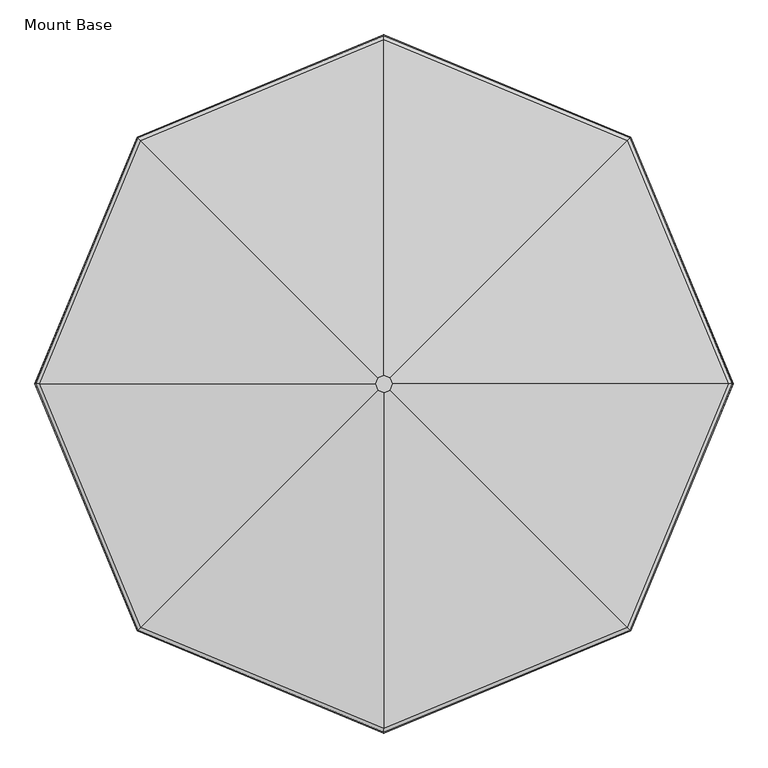
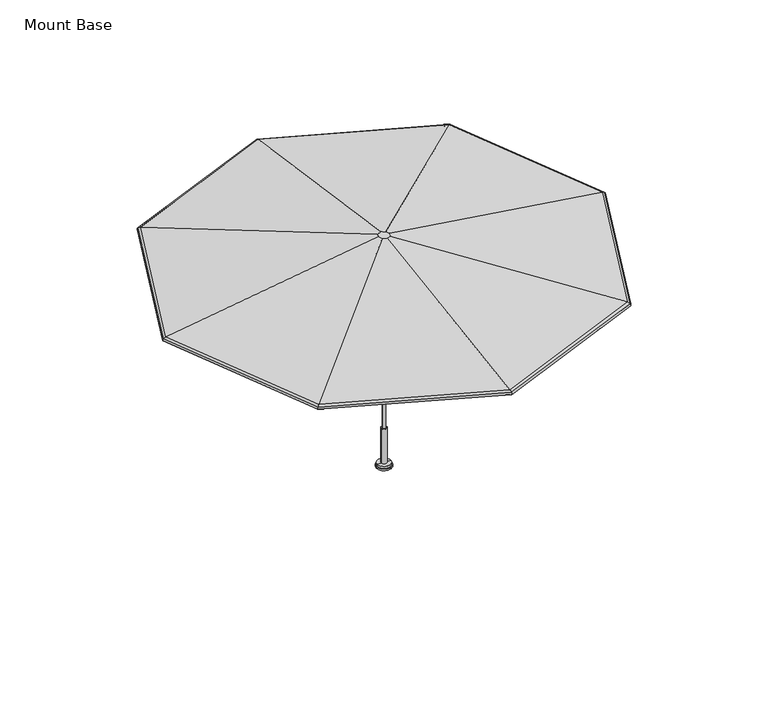
"""IFC4 building model written with IfcOpenShell, lengths in millimetres: furniture geometry, Mount Base."""

from ifc_helpers import new_model, si_unit, frame, origin, place, context, project, spatial, polyline, circle_curve, ellipse_curve, source, transform, mapped, element, save
from ifc_brep_helpers import plane_surface, cylinder_surface, revolved_surface, advanced_brep


def mount_base_e71716c9(model_context):
    return source(origin(), model_context, "Body", "AdvancedBrep", [
        advanced_brep(
        [(45.1473013, -49.177191, 2808.3297455), (1777.9707816, -1782.0006193, 2450.3102328), (2514.4303084, -4.0299408, 2450.3102328), (63.8479036, -4.0299408, 2808.3297455), (1777.9707816, 1773.9407377, 2450.3102328), (45.1473013, 41.1173094, 2808.3297455), (0.0, 2510.4003698, 2450.3102328), (0.0, 59.8179344, 2808.3297455), (-1777.9707816, 1773.9407377, 2450.3102328), (-45.1473013, 41.1173094, 2808.3297455), (-2514.4303084, -4.0299408, 2450.3102328), (-63.8479036, -4.0299408, 2808.3297455), (-1777.9707816, -1782.0006193, 2450.3102328), (-45.1473013, -49.177191, 2808.3297455), (0.0, -2518.4602513, 2450.3102328), (0.0, -67.877816, 2808.3297455), (44.8728133, -48.902703, 2803.765683), (0.0, -67.4896313, 2803.765683), (-44.8728133, -48.902703, 2803.765683), (-63.4597189, -4.0299408, 2803.765683), (-44.8728133, 40.8428214, 2803.765683), (0.0, 59.4297498, 2803.765683), (44.8728133, 40.8428214, 2803.765683), (63.4597189, -4.0299408, 2803.765683), (1777.4251744, -1781.4550121, 2445.8021864), (2513.6587033, -4.0299408, 2445.8021864), (1796.8087591, -1800.8385962, 2431.8908847), (2541.071231, -4.0299408, 2431.8908847), (1799.7904474, -1803.8202844, 2413.6368743), (2545.2879748, -4.0299408, 2413.6368743), (1803.1457838, -1807.1756208, 2412.3647308), (2550.0331371, -4.0299408, 2412.3647308), (1799.4279591, -1803.4577961, 2434.9107454), (2544.775339, -4.0299408, 2434.9107454), (1777.4251744, 1773.3951306, 2445.8021864), (1796.8087591, 1792.7787146, 2431.8908847), (1799.7904474, 1795.7604028, 2413.6368743), (1803.1457838, 1799.1157392, 2412.3647308), (1799.4279591, 1795.3979145, 2434.9107454), (0.0, 2509.6287647, 2445.8021864), (0.0, 2537.0412927, 2431.8908847), (0.0, 2541.2580366, 2413.6368743), (0.0, 2546.0031989, 2412.3647308), (0.0, 2540.7454007, 2434.9107454), (-1777.4251744, 1773.3951306, 2445.8021864), (-1796.8087591, 1792.7787146, 2431.8908847), (-1799.7904474, 1795.7604028, 2413.6368743), (-1803.1457838, 1799.1157392, 2412.3647308), (-1799.4279591, 1795.3979145, 2434.9107454), (-2513.6587033, -4.0299408, 2445.8021864), (-2541.071231, -4.0299408, 2431.8908847), (-2545.2879748, -4.0299408, 2413.6368743), (-2550.0331371, -4.0299408, 2412.3647308), (-2544.775339, -4.0299408, 2434.9107454), (-1777.4251744, -1781.4550121, 2445.8021864), (-1796.8087591, -1800.8385962, 2431.8908847), (-1799.7904474, -1803.8202844, 2413.6368743), (-1803.1457838, -1807.1756208, 2412.3647308), (-1799.4279591, -1803.4577961, 2434.9107454), (0.0, -2517.6886462, 2445.8021864), (0.0, -2545.1011742, 2431.8908847), (0.0, -2549.3179182, 2413.6368743), (0.0, -2554.0630804, 2412.3647308), (0.0, -2548.8052823, 2434.9107454)],
        [
            (0, 1),
            (1, 2),
            (2, 3),
            (3, 0),
            (2, 4),
            (4, 5),
            (5, 3),
            (4, 6),
            (6, 7),
            (7, 5),
            (6, 8),
            (8, 9),
            (9, 7),
            (8, 10),
            (10, 11),
            (11, 9),
            (10, 12),
            (12, 13),
            (13, 11),
            (12, 14),
            (14, 15),
            (15, 13),
            (15, 0),
            (16, 17),
            (17, 18),
            (18, 19),
            (19, 20),
            (20, 21),
            (21, 22),
            (22, 23),
            (23, 16),
            (14, 1),
            (24, 16),
            (23, 25),
            (25, 24),
            (26, 24, ellipse_curve(frame((1772.3249333, -1776.3547712, 2403.6617523), z_axis=(-0.7071067705718669, -0.7071067918012278, 0.0), x_axis=(-0.7071067918012273, 0.7071067705718675, 0.0)), 46.1792486, 42.6640625)),
            (25, 27, ellipse_curve(frame((2506.4458734, -4.0299408, 2403.6617523), z_axis=(0.0, 1.0, 0.0), x_axis=(1.0, 0.0, 0.0)), 46.1792481, 42.6640625)),
            (27, 26),
            (28, 26, ellipse_curve(frame((1785.891869, -1789.9217065, 2419.3040309), z_axis=(-0.7071067705718669, -0.7071067918012278, 0.0), x_axis=(-0.7071067918012273, 0.7071067705718675, 0.0)), 20.5904823, 19.0231251)),
            (27, 29, ellipse_curve(frame((2525.6324174, -4.0299408, 2419.3040309), z_axis=(0.0, 1.0, 0.0), x_axis=(1.0, 0.0, 0.0)), 20.5904821, 19.0231251)),
            (29, 28),
            (30, 28, ellipse_curve(frame((1801.4759987, -1805.5058357, 2413.0362967), z_axis=(0.7071067705718669, 0.7071067918012278, 0.0), x_axis=(0.7071067918012273, -0.7071067705718675, 0.0)), 2.4707782, 2.2827014)),
            (29, 31, ellipse_curve(frame((2547.6717043, -4.0299408, 2413.0362967), z_axis=(0.0, -1.0, 0.0), x_axis=(-1.0, 0.0, 0.0)), 2.4707782, 2.2827014)),
            (31, 30),
            (32, 30, ellipse_curve(frame((1785.891869, -1789.9217065, 2419.3040309), z_axis=(0.7071067705718669, 0.7071067918012278, 0.0), x_axis=(0.7071067918012273, -0.7071067705718675, 0.0)), 25.5305879, 23.5871876)),
            (31, 33, ellipse_curve(frame((2525.6324174, -4.0299408, 2419.3040309), z_axis=(0.0, -1.0, 0.0), x_axis=(-1.0, 0.0, 0.0)), 25.5305877, 23.5871876)),
            (33, 32),
            (1, 32, ellipse_curve(frame((1772.3249333, -1776.3547712, 2403.6617523), z_axis=(0.7071067705718669, 0.7071067918012278, 0.0), x_axis=(0.7071067918012273, -0.7071067705718675, 0.0)), 51.1193542, 47.228125)),
            (33, 2, ellipse_curve(frame((2506.4458734, -4.0299408, 2403.6617523), z_axis=(0.0, -1.0, 0.0), x_axis=(-1.0, 0.0, 0.0)), 51.1193537, 47.228125)),
            (22, 34),
            (34, 25),
            (34, 35, ellipse_curve(frame((1772.3249333, 1768.2948896, 2403.6617523), z_axis=(-0.707106770571867, 0.707106791801228, 0.0), x_axis=(0.7071067918012285, 0.7071067705718665, 0.0)), 46.1792486, 42.6640625)),
            (35, 27),
            (35, 36, ellipse_curve(frame((1785.891869, 1781.8618249, 2419.3040309), z_axis=(-0.707106770571867, 0.707106791801228, 0.0), x_axis=(0.7071067918012285, 0.7071067705718665, 0.0)), 20.5904823, 19.0231251)),
            (36, 29),
            (36, 37, ellipse_curve(frame((1801.4759987, 1797.4459541, 2413.0362967), z_axis=(0.707106770571867, -0.707106791801228, 0.0), x_axis=(-0.7071067918012285, -0.7071067705718665, 0.0)), 2.4707782, 2.2827014)),
            (37, 31),
            (37, 38, ellipse_curve(frame((1785.891869, 1781.8618249, 2419.3040309), z_axis=(0.707106770571867, -0.707106791801228, 0.0), x_axis=(-0.7071067918012285, -0.7071067705718665, 0.0)), 25.5305879, 23.5871876)),
            (38, 33),
            (38, 4, ellipse_curve(frame((1772.3249333, 1768.2948896, 2403.6617523), z_axis=(0.707106770571867, -0.707106791801228, 0.0), x_axis=(-0.7071067918012285, -0.7071067705718665, 0.0)), 51.1193542, 47.228125)),
            (21, 39),
            (39, 34),
            (39, 40, ellipse_curve(frame((0.0, 2502.4159347, 2403.6617523), z_axis=(-1.0, 0.0, 0.0), x_axis=(0.0, 1.0, 0.0)), 46.1792487, 42.6640625)),
            (40, 35),
            (40, 41, ellipse_curve(frame((0.0, 2521.6024789, 2419.3040309), z_axis=(-1.0, 0.0, 0.0), x_axis=(0.0, 1.0, 0.0)), 20.5904823, 19.0231251)),
            (41, 36),
            (41, 42, ellipse_curve(frame((0.0, 2543.6417661, 2413.0362967), z_axis=(1.0, 0.0, 0.0), x_axis=(0.0, -1.0, 0.0)), 2.4707782, 2.2827014)),
            (42, 37),
            (42, 43, ellipse_curve(frame((0.0, 2521.6024789, 2419.3040309), z_axis=(1.0, 0.0, 0.0), x_axis=(0.0, -1.0, 0.0)), 25.530588, 23.5871876)),
            (43, 38),
            (43, 6, ellipse_curve(frame((0.0, 2502.4159347, 2403.6617523), z_axis=(1.0, 0.0, 0.0), x_axis=(0.0, -1.0, 0.0)), 51.1193543, 47.228125)),
            (20, 44),
            (44, 39),
            (44, 45, ellipse_curve(frame((-1772.3249333, 1768.2948896, 2403.6617523), z_axis=(-0.7071067705718668, -0.7071067918012279, 0.0), x_axis=(-0.7071067918012285, 0.7071067705718664, 0.0)), 46.1792486, 42.6640625)),
            (45, 40),
            (45, 46, ellipse_curve(frame((-1785.891869, 1781.8618249, 2419.3040309), z_axis=(-0.7071067705718668, -0.7071067918012279, 0.0), x_axis=(-0.7071067918012285, 0.7071067705718664, 0.0)), 20.5904823, 19.0231251)),
            (46, 41),
            (46, 47, ellipse_curve(frame((-1801.4759987, 1797.4459541, 2413.0362967), z_axis=(0.7071067705718668, 0.7071067918012279, 0.0), x_axis=(0.7071067918012285, -0.7071067705718664, 0.0)), 2.4707782, 2.2827014)),
            (47, 42),
            (47, 48, ellipse_curve(frame((-1785.891869, 1781.8618249, 2419.3040309), z_axis=(0.7071067705718668, 0.7071067918012279, 0.0), x_axis=(0.7071067918012285, -0.7071067705718664, 0.0)), 25.5305879, 23.5871876)),
            (48, 43),
            (48, 8, ellipse_curve(frame((-1772.3249333, 1768.2948896, 2403.6617523), z_axis=(0.7071067705718668, 0.7071067918012279, 0.0), x_axis=(0.7071067918012285, -0.7071067705718664, 0.0)), 51.1193542, 47.228125)),
            (19, 49),
            (49, 44),
            (49, 50, ellipse_curve(frame((-2506.4458734, -4.0299408, 2403.6617523), z_axis=(0.0, -1.0, 0.0), x_axis=(-1.0, 0.0, 0.0)), 46.1792481, 42.6640625)),
            (50, 45),
            (50, 51, ellipse_curve(frame((-2525.6324174, -4.0299408, 2419.3040309), z_axis=(0.0, -1.0, 0.0), x_axis=(-1.0, 0.0, 0.0)), 20.5904821, 19.0231251)),
            (51, 46),
            (51, 52, ellipse_curve(frame((-2547.6717043, -4.0299408, 2413.0362967), z_axis=(0.0, 1.0, 0.0), x_axis=(1.0, 0.0, 0.0)), 2.4707782, 2.2827014)),
            (52, 47),
            (52, 53, ellipse_curve(frame((-2525.6324174, -4.0299408, 2419.3040309), z_axis=(0.0, 1.0, 0.0), x_axis=(1.0, 0.0, 0.0)), 25.5305877, 23.5871876)),
            (53, 48),
            (53, 10, ellipse_curve(frame((-2506.4458734, -4.0299408, 2403.6617523), z_axis=(0.0, 1.0, 0.0), x_axis=(1.0, 0.0, 0.0)), 51.1193537, 47.228125)),
            (18, 54),
            (54, 49),
            (54, 55, ellipse_curve(frame((-1772.3249333, -1776.3547712, 2403.6617523), z_axis=(0.707106770571867, -0.7071067918012278, 0.0), x_axis=(-0.7071067918012279, -0.7071067705718671, 0.0)), 46.1792486, 42.6640625)),
            (55, 50),
            (55, 56, ellipse_curve(frame((-1785.891869, -1789.9217065, 2419.3040309), z_axis=(0.707106770571867, -0.7071067918012278, 0.0), x_axis=(-0.7071067918012279, -0.7071067705718671, 0.0)), 20.5904823, 19.0231251)),
            (56, 51),
            (56, 57, ellipse_curve(frame((-1801.4759987, -1805.5058357, 2413.0362967), z_axis=(-0.707106770571867, 0.7071067918012278, 0.0), x_axis=(0.7071067918012279, 0.7071067705718671, 0.0)), 2.4707782, 2.2827014)),
            (57, 52),
            (57, 58, ellipse_curve(frame((-1785.891869, -1789.9217065, 2419.3040309), z_axis=(-0.707106770571867, 0.7071067918012278, 0.0), x_axis=(0.7071067918012279, 0.7071067705718671, 0.0)), 25.5305879, 23.5871876)),
            (58, 53),
            (58, 12, ellipse_curve(frame((-1772.3249333, -1776.3547712, 2403.6617523), z_axis=(-0.707106770571867, 0.7071067918012278, 0.0), x_axis=(0.7071067918012279, 0.7071067705718671, 0.0)), 51.1193542, 47.228125)),
            (17, 59),
            (59, 54),
            (59, 60, ellipse_curve(frame((0.0, -2510.4758162, 2403.6617523), z_axis=(1.0, 0.0, 0.0), x_axis=(0.0, -1.0, 0.0)), 46.1792487, 42.6640625)),
            (60, 55),
            (60, 61, ellipse_curve(frame((0.0, -2529.6623604, 2419.3040309), z_axis=(1.0, 0.0, 0.0), x_axis=(0.0, -1.0, 0.0)), 20.5904823, 19.0231251)),
            (61, 56),
            (61, 62, ellipse_curve(frame((0.0, -2551.7016477, 2413.0362967), z_axis=(-1.0, 0.0, 0.0), x_axis=(0.0, 1.0, 0.0)), 2.4707782, 2.2827014)),
            (62, 57),
            (62, 63, ellipse_curve(frame((0.0, -2529.6623604, 2419.3040309), z_axis=(-1.0, 0.0, 0.0), x_axis=(0.0, 1.0, 0.0)), 25.530588, 23.5871876)),
            (63, 58),
            (63, 14, ellipse_curve(frame((0.0, -2510.4758162, 2403.6617523), z_axis=(-1.0, 0.0, 0.0), x_axis=(0.0, 1.0, 0.0)), 51.1193543, 47.228125)),
            (24, 59),
            (26, 60),
            (28, 61),
            (30, 62),
            (32, 63),
        ],
        [
            plane_surface(frame((1777.9707816, -1782.0006193, 2450.3102328), z_axis=(0.14430260932390854, -0.059772094479706925, 0.9877267100083001), x_axis=(0.3826834138500074, 0.9238795401804848, 0.0))),
            plane_surface(frame((2514.4303084, -4.0299408, 2450.3102328), z_axis=(0.1443026093239085, 0.05977209447970692, 0.9877267100083003), x_axis=(-0.3826834138500075, 0.9238795401804848, 0.0))),
            plane_surface(frame((1777.9707816, 1773.9407377, 2450.3102328), z_axis=(0.05977209881208568, 0.14430260752937665, 0.9877267100083005), x_axis=(-0.9238795286912377, 0.38268344158750417, 0.0))),
            plane_surface(frame((0.0, 2510.4003698, 2450.3102328), z_axis=(-0.0597720988120857, 0.14430260752937668, 0.9877267100083004), x_axis=(-0.9238795286912376, -0.3826834415875042, 0.0))),
            plane_surface(frame((-1777.9707816, 1773.9407377, 2450.3102328), z_axis=(-0.1443026093239085, 0.0597720944797069, 0.9877267100083), x_axis=(-0.3826834138500073, -0.9238795401804848, 0.0))),
            plane_surface(frame((-2514.4303084, -4.0299408, 2450.3102328), z_axis=(-0.1443026093239085, -0.059772094479706904, 0.9877267100083001), x_axis=(0.38268341385000737, -0.9238795401804848, 0.0))),
            plane_surface(frame((-1777.9707816, -1782.0006193, 2450.3102328), z_axis=(-0.05977209881208568, -0.14430260752937663, 0.9877267100083005), x_axis=(0.9238795286912376, -0.3826834415875042, 0.0))),
            plane_surface(frame((0.0, -67.877816, 2808.3297455), z_axis=(0.0, 0.0, 1.0000000000000002), x_axis=(0.92387952869124, 0.3826834415874985, 0.0))),
            plane_surface(frame((0.0, -4.1939137, 2803.765683), z_axis=(0.0, 0.0, -1.0000000000000002), x_axis=(0.9238795286912376, 0.38268344158750434, 0.0))),
            plane_surface(frame((0.0, -2518.4602513, 2450.3102328), z_axis=(0.05977209881208571, -0.14430260752937665, 0.9877267100083004), x_axis=(0.9238795286912376, 0.38268344158750434, 0.0))),
            plane_surface(frame((44.8728133, -48.902703, 2803.765683), z_axis=(-0.14430260932390412, 0.05977209447971757, -0.9877267100083001), x_axis=(0.3826834138500039, 0.9238795401804862, 0.0))),
            revolved_surface(polyline([(2473.7922125929476, 28.623717379706704, 2403.6617523), (1726.1456847265435, -1776.354772368696, 2403.6617523)]), (1770.2008532, -1781.4827545, 2403.6617523), (0.3826834138500075, 0.9238795401804849, 0.0)),
            revolved_surface(polyline([(2511.0727472573535, 10.529728153093401, 2419.3040309), (1765.3013866905512, -1789.9217070122843, 2419.3040309)]), (1786.5775931, -1788.2662219, 2419.3040309), (0.3826834138500075, 0.9238795401804849, 0.0)),
            cylinder_surface(frame((1805.3893016, -1796.0582862, 2413.0362967), z_axis=(-0.3826834138500075, -0.9238795401804849, 0.0), x_axis=(-0.9238795401804849, 0.3826834138500075, 0.0)), 2.2827014),
            cylinder_surface(frame((1786.5775931, -1788.2662219, 2419.3040309), z_axis=(-0.3826834138500075, -0.9238795401804849, 0.0), x_axis=(-0.9238795401804849, 0.3826834138500075, 0.0)), 23.5871876),
            cylinder_surface(frame((1770.2008532, -1781.4827545, 2403.6617523), z_axis=(-0.3826834138500075, -0.9238795401804849, 0.0), x_axis=(-0.9238795401804849, 0.3826834138500075, 0.0)), 47.228125),
            plane_surface(frame((63.4597189, -4.0299408, 2803.765683), z_axis=(-0.14430260932391245, -0.05977209447969742, -0.9877267100083), x_axis=(-0.3826834138500052, 0.9238795401804857, 0.0))),
            revolved_surface(polyline([(1726.1456847911236, 1768.2948907954465, 2403.6617523), (2473.792212657527, -36.68359895295626, 2403.6617523)]), (2508.5699534, -9.1579237, 2403.6617523), (-0.3826834138500073, 0.9238795401804848, 0.0)),
            revolved_surface(polyline([(1765.3013867551308, 1781.8618254390342, 2419.3040309), (2511.0727473219326, -18.589609726343163, 2419.3040309)]), (2524.9466933, -2.3744563, 2419.3040309), (-0.3826834138500073, 0.9238795401804848, 0.0)),
            cylinder_surface(frame((2543.7584017, 5.417608, 2413.0362967), z_axis=(0.3826834138500073, -0.9238795401804848, 0.0), x_axis=(-0.9238795401804848, -0.3826834138500073, 0.0)), 2.2827014),
            cylinder_surface(frame((2524.9466933, -2.3744563, 2419.3040309), z_axis=(0.3826834138500073, -0.9238795401804848, 0.0), x_axis=(-0.9238795401804848, -0.3826834138500073, 0.0)), 23.5871876),
            cylinder_surface(frame((2508.5699534, -9.1579237, 2403.6617523), z_axis=(0.3826834138500073, -0.9238795401804848, 0.0), x_axis=(-0.9238795401804848, -0.3826834138500073, 0.0)), 47.228125),
            plane_surface(frame((44.8728133, 40.8428214, 2803.765683), z_axis=(-0.05977209881211413, -0.14430260752936488, -0.9877267100083005), x_axis=(-0.9238795286912357, 0.382683441587509, 0.0))),
            revolved_surface(polyline([(-32.65366054051833, 2469.762275487732, 2403.6617523), (1772.3249331106792, 1722.1156410951446, 2403.6617523)]), (1777.4529166, 1766.1708094, 2403.6617523), (-0.9238795286912376, 0.38268344158750417, 0.0)),
            revolved_surface(polyline([(-14.559669971994254, 2507.0428094823683, 2419.3040309), (1785.8918689088669, 1761.2713426262042, 2419.3040309)]), (1784.2363844, 1782.5475491, 2419.3040309), (-0.9238795286912376, 0.38268344158750417, 0.0)),
            cylinder_surface(frame((1792.0284493, 1801.3592573, 2413.0362967), z_axis=(0.9238795286912376, -0.38268344158750417, 0.0), x_axis=(-0.38268344158750417, -0.9238795286912376, 0.0)), 2.2827014),
            cylinder_surface(frame((1784.2363844, 1782.5475491, 2419.3040309), z_axis=(0.9238795286912376, -0.38268344158750417, 0.0), x_axis=(-0.38268344158750417, -0.9238795286912376, 0.0)), 23.5871876),
            cylinder_surface(frame((1777.4529166, 1766.1708094, 2403.6617523), z_axis=(0.9238795286912376, -0.38268344158750417, 0.0), x_axis=(-0.38268344158750417, -0.9238795286912376, 0.0)), 47.228125),
            plane_surface(frame((0.0, 59.4297498, 2803.765683), z_axis=(0.059772098812093805, -0.14430260752937327, -0.9877267100083005), x_axis=(-0.9238795286912356, -0.3826834415875091, 0.0))),
            revolved_surface(polyline([(-1772.3249331060758, 1722.115641084029, 2403.6617523), (32.653660545122115, 2469.7622754766167, 2403.6617523)]), (5.1279833, 2504.540015, 2403.6617523), (-0.9238795286912376, -0.3826834415875045, 0.0)),
            revolved_surface(polyline([(-1785.8918689189081, 1761.2713426504438, 2419.3040309), (14.559669961953581, 2507.042809506609, 2419.3040309)]), (-1.6554846, 2520.9167547, 2419.3040309), (-0.9238795286912376, -0.3826834415875045, 0.0)),
            cylinder_surface(frame((-9.4475495, 2539.7284629, 2413.0362967), z_axis=(0.9238795286912376, 0.3826834415875045, 0.0), x_axis=(0.3826834415875045, -0.9238795286912376, 0.0)), 2.2827014),
            cylinder_surface(frame((-1.6554846, 2520.9167547, 2419.3040309), z_axis=(0.9238795286912376, 0.3826834415875045, 0.0), x_axis=(0.3826834415875045, -0.9238795286912376, 0.0)), 23.5871876),
            cylinder_surface(frame((5.1279833, 2504.540015, 2403.6617523), z_axis=(0.9238795286912376, 0.3826834415875045, 0.0), x_axis=(0.3826834415875045, -0.9238795286912376, 0.0)), 47.228125),
            plane_surface(frame((-44.8728133, 40.8428214, 2803.765683), z_axis=(0.14430260932391242, -0.05977209447969746, -0.9877267100083), x_axis=(-0.38268341385000554, -0.9238795401804856, 0.0))),
            revolved_surface(polyline([(-2473.792212592947, -36.683598979706176, 2403.6617523), (-1726.1456847265433, 1768.2948907686962, 2403.6617523)]), (-1770.2008532, 1773.4228729, 2403.6617523), (-0.3826834138500073, -0.9238795401804848, 0.0)),
            revolved_surface(polyline([(-2511.0727472573535, -18.589609753092873, 2419.3040309), (-1765.3013866905512, 1781.8618254122841, 2419.3040309)]), (-1786.5775931, 1780.2063403, 2419.3040309), (-0.3826834138500073, -0.9238795401804848, 0.0)),
            cylinder_surface(frame((-1805.3893016, 1787.9984046, 2413.0362967), z_axis=(0.3826834138500073, 0.9238795401804848, 0.0), x_axis=(0.9238795401804848, -0.3826834138500073, 0.0)), 2.2827014),
            cylinder_surface(frame((-1786.5775931, 1780.2063403, 2419.3040309), z_axis=(0.3826834138500073, 0.9238795401804848, 0.0), x_axis=(0.9238795401804848, -0.3826834138500073, 0.0)), 23.5871876),
            cylinder_surface(frame((-1770.2008532, 1773.4228729, 2403.6617523), z_axis=(0.3826834138500073, 0.9238795401804848, 0.0), x_axis=(0.9238795401804848, -0.3826834138500073, 0.0)), 47.228125),
            plane_surface(frame((-63.4597189, -4.0299408, 2803.765683), z_axis=(0.14430260932391195, 0.05977209447969856, -0.9877267100083003), x_axis=(0.38268341385001264, -0.9238795401804827, 0.0))),
            revolved_surface(polyline([(-1726.1456847911234, -1776.3547723954462, 2403.6617523), (-2473.792212657527, 28.623717352956266, 2403.6617523)]), (-2508.5699534, 1.0980421, 2403.6617523), (0.3826834138500074, -0.9238795401804848, 0.0)),
            revolved_surface(polyline([(-1765.301386719775, -1789.9217070243892, 2419.3040309), (-2511.0727472865774, 10.529728140987826, 2419.3040309)]), (-2524.9466933, -5.6854252, 2419.3040309), (0.3826834138500074, -0.9238795401804848, 0.0)),
            cylinder_surface(frame((-2543.7584017, -13.4774896, 2413.0362967), z_axis=(-0.3826834138500074, 0.9238795401804848, 0.0), x_axis=(0.9238795401804848, 0.3826834138500074, 0.0)), 2.2827014),
            cylinder_surface(frame((-2524.9466933, -5.6854252, 2419.3040309), z_axis=(-0.3826834138500074, 0.9238795401804848, 0.0), x_axis=(0.9238795401804848, 0.3826834138500074, 0.0)), 23.5871876),
            cylinder_surface(frame((-2508.5699534, 1.0980421, 2403.6617523), z_axis=(-0.3826834138500074, 0.9238795401804848, 0.0), x_axis=(0.9238795401804848, 0.3826834138500074, 0.0)), 47.228125),
            plane_surface(frame((-44.8728133, -48.902703, 2803.765683), z_axis=(0.05977209881209399, 0.14430260752937313, -0.9877267100083005), x_axis=(0.923879528691235, -0.38268344158751044, 0.0))),
            revolved_surface(polyline([(32.6536605405181, -2477.8221569877314, 2403.6617523), (-1772.3249330753238, -1730.1755226097891, 2403.6617523)]), (-1777.4529166, -1774.2306909, 2403.6617523), (0.9238795286912376, -0.3826834415875041, 0.0)),
            revolved_surface(polyline([(14.559669971994254, -2515.1026909823686, 2419.3040309), (-1785.8918688735116, -1769.3312241408487, 2419.3040309)]), (-1784.2363844, -1790.6074306, 2419.3040309), (0.9238795286912376, -0.3826834415875041, 0.0)),
            cylinder_surface(frame((-1792.0284493, -1809.4191388, 2413.0362967), z_axis=(-0.9238795286912376, 0.3826834415875041, 0.0), x_axis=(0.3826834415875041, 0.9238795286912376, 0.0)), 2.2827014),
            cylinder_surface(frame((-1784.2363844, -1790.6074306, 2419.3040309), z_axis=(-0.9238795286912376, 0.3826834415875041, 0.0), x_axis=(0.3826834415875041, 0.9238795286912376, 0.0)), 23.5871876),
            cylinder_surface(frame((-1777.4529166, -1774.2306909, 2403.6617523), z_axis=(-0.9238795286912376, 0.3826834415875041, 0.0), x_axis=(0.3826834415875041, 0.9238795286912376, 0.0)), 47.228125),
            plane_surface(frame((0.0, -67.4896313, 2803.765683), z_axis=(-0.059772098812092535, 0.14430260752937368, -0.9877267100083005), x_axis=(0.9238795286912389, 0.3826834415875013, 0.0))),
            revolved_surface(polyline([(1772.3249330707204, -1730.1755225986735, 2403.6617523), (-32.653660545122115, -2477.8221569766165, 2403.6617523)]), (-5.1279833, -2512.5998965, 2403.6617523), (0.9238795286912376, 0.3826834415875045, 0.0)),
            revolved_surface(polyline([(1785.8918688835527, -1769.3312241650883, 2419.3040309), (-14.559669961953741, -2515.102691006609, 2419.3040309)]), (1.6554846, -2528.9766362, 2419.3040309), (0.9238795286912376, 0.3826834415875045, 0.0)),
            cylinder_surface(frame((9.4475495, -2547.7883444, 2413.0362967), z_axis=(-0.9238795286912376, -0.3826834415875045, 0.0), x_axis=(-0.3826834415875045, 0.9238795286912376, 0.0)), 2.2827014),
            cylinder_surface(frame((1.6554846, -2528.9766362, 2419.3040309), z_axis=(-0.9238795286912376, -0.3826834415875045, 0.0), x_axis=(-0.3826834415875045, 0.9238795286912376, 0.0)), 23.5871876),
            cylinder_surface(frame((-5.1279833, -2512.5998965, 2403.6617523), z_axis=(-0.9238795286912376, -0.3826834415875045, 0.0), x_axis=(-0.3826834415875045, 0.9238795286912376, 0.0)), 47.228125),
        ],
        [
            (0, [[1, 2, 3, 4]]),
            (1, [[-3, 5, 6, 7]]),
            (2, [[-6, 8, 9, 10]]),
            (3, [[-9, 11, 12, 13]]),
            (4, [[-12, 14, 15, 16]]),
            (5, [[-15, 17, 18, 19]]),
            (6, [[-18, 20, 21, 22]]),
            (7, [[-19, -22, 23, -4, -7, -10, -13, -16]]),
            (8, [[24, 25, 26, 27, 28, 29, 30, 31]]),
            (9, [[-21, 32, -1, -23]]),
            (10, [[33, -31, 34, 35]]),
            (11, [[36, -35, 37, 38]]),
            (12, [[39, -38, 40, 41]]),
            (13, [[42, -41, 43, 44]]),
            (14, [[45, -44, 46, 47]]),
            (15, [[48, -47, 49, -2]]),
            (16, [[-34, -30, 50, 51]]),
            (17, [[-37, -51, 52, 53]]),
            (18, [[-40, -53, 54, 55]]),
            (19, [[-43, -55, 56, 57]]),
            (20, [[-46, -57, 58, 59]]),
            (21, [[-49, -59, 60, -5]]),
            (22, [[-50, -29, 61, 62]]),
            (23, [[-52, -62, 63, 64]]),
            (24, [[-54, -64, 65, 66]]),
            (25, [[-56, -66, 67, 68]]),
            (26, [[-58, -68, 69, 70]]),
            (27, [[-60, -70, 71, -8]]),
            (28, [[-61, -28, 72, 73]]),
            (29, [[-63, -73, 74, 75]]),
            (30, [[-65, -75, 76, 77]]),
            (31, [[-67, -77, 78, 79]]),
            (32, [[-69, -79, 80, 81]]),
            (33, [[-71, -81, 82, -11]]),
            (34, [[-72, -27, 83, 84]]),
            (35, [[-74, -84, 85, 86]]),
            (36, [[-76, -86, 87, 88]]),
            (37, [[-78, -88, 89, 90]]),
            (38, [[-80, -90, 91, 92]]),
            (39, [[-82, -92, 93, -14]]),
            (40, [[-83, -26, 94, 95]]),
            (41, [[-85, -95, 96, 97]]),
            (42, [[-87, -97, 98, 99]]),
            (43, [[-89, -99, 100, 101]]),
            (44, [[-91, -101, 102, 103]]),
            (45, [[-93, -103, 104, -17]]),
            (46, [[-94, -25, 105, 106]]),
            (47, [[-96, -106, 107, 108]]),
            (48, [[-98, -108, 109, 110]]),
            (49, [[-100, -110, 111, 112]]),
            (50, [[-102, -112, 113, 114]]),
            (51, [[-104, -114, 115, -20]]),
            (52, [[-105, -24, -33, 116]]),
            (53, [[-107, -116, -36, 117]]),
            (54, [[-109, -117, -39, 118]]),
            (55, [[-111, -118, -42, 119]]),
            (56, [[-113, -119, -45, 120]]),
            (57, [[-115, -120, -48, -32]]),
        ],
    ),
        advanced_brep(
        [(-88.9, -4.0299408, 15.8750008), (88.9, -4.0299408, 15.8750008), (88.9, -4.0299408, 0.0), (-88.9, -4.0299408, 0.0), (-76.2, -4.0299408, 15.8750008), (76.2, -4.0299408, 15.8750008), (-76.2, -4.0299408, 41.2750008), (76.2, -4.0299408, 41.2750008), (0.0, -4.0299408, 41.2750008), (0.0, -4.0299408, 0.0)],
        [
            (0, 1, circle_curve(frame((0.0, -4.0299408, 15.8750008), z_axis=(0.0, 0.0, -1.0), x_axis=(1.0, 0.0, 0.0)), 88.9)),
            (1, 2),
            (2, 3, circle_curve(frame((0.0, -4.0299408, 0.0), z_axis=(0.0, 0.0, 1.0), x_axis=(1.0, 0.0, 0.0)), 88.9)),
            (3, 0),
            (1, 0, circle_curve(frame((0.0, -4.0299408, 15.8750008), z_axis=(0.0, 0.0, -1.0), x_axis=(1.0, 0.0, 0.0)), 88.9)),
            (3, 2, circle_curve(frame((0.0, -4.0299408, 0.0), z_axis=(0.0, 0.0, 1.0), x_axis=(1.0, 0.0, 0.0)), 88.9)),
            (4, 5, circle_curve(frame((0.0, -4.0299408, 15.8750008), z_axis=(0.0, 0.0, -1.0), x_axis=(1.0, 0.0, 0.0)), 76.2)),
            (5, 1),
            (0, 4),
            (5, 4, circle_curve(frame((0.0, -4.0299408, 15.8750008), z_axis=(0.0, 0.0, -1.0), x_axis=(1.0, 0.0, 0.0)), 76.2)),
            (6, 7, circle_curve(frame((0.0, -4.0299408, 41.2750008), z_axis=(0.0, 0.0, -1.0), x_axis=(1.0, 0.0, 0.0)), 76.2)),
            (7, 5),
            (4, 6),
            (7, 6, circle_curve(frame((0.0, -4.0299408, 41.2750008), z_axis=(0.0, 0.0, -1.0), x_axis=(1.0, 0.0, 0.0)), 76.2)),
            (8, 7),
            (6, 8),
            (2, 9),
            (9, 3),
        ],
        [
            cylinder_surface(frame((0.0, -4.0299408, 161.9250008), z_axis=(0.0, 0.0, 1.0), x_axis=(1.0, 0.0, 0.0)), 88.9),
            plane_surface(frame((0.0, -4.0299408, 15.8750008), z_axis=(0.0, 0.0, 1.0), x_axis=(1.0, 0.0, 0.0))),
            cylinder_surface(frame((0.0, -4.0299408, 161.9250008), z_axis=(0.0, 0.0, 1.0), x_axis=(1.0, 0.0, 0.0)), 76.2),
            plane_surface(frame((0.0, -4.0299408, 41.2750008), z_axis=(0.0, 0.0, 1.0), x_axis=(1.0, 0.0, 0.0))),
            plane_surface(frame((0.0, -4.0299408, 0.0), z_axis=(0.0, 0.0, -1.0), x_axis=(1.0, 0.0, 0.0))),
        ],
        [
            (0, [[1, 2, 3, 4]]),
            (0, [[5, -4, 6, -2]]),
            (1, [[7, 8, -1, 9]]),
            (1, [[10, -9, -5, -8]]),
            (2, [[11, 12, -7, 13]]),
            (2, [[14, -13, -10, -12]]),
            (3, [[15, -11, 16]]),
            (3, [[-16, -14, -15]]),
            (4, [[-3, 17, 18]]),
            (4, [[-6, -18, -17]]),
        ],
    ),
        advanced_brep(
        [(-19.05, -4.0299408, 463.5500121), (19.05, -4.0299408, 463.5500121), (31.7499992, -4.0299408, 463.5500121), (-31.7499992, -4.0299408, 463.5500121), (-19.05, -4.0299408, 2063.75), (19.05, -4.0299408, 2063.75), (0.0, -4.0299408, 2063.75), (-31.7499992, -4.0299408, 25.4), (31.7499992, -4.0299408, 25.4), (0.0, -4.0299408, 25.4)],
        [
            (0, 1, circle_curve(frame((0.0, -4.0299408, 463.5500121), z_axis=(0.0, 0.0, -1.0), x_axis=(1.0, 0.0, 0.0)), 19.05)),
            (1, 2),
            (2, 3, circle_curve(frame((0.0, -4.0299408, 463.5500121), z_axis=(0.0, 0.0, 1.0), x_axis=(1.0, 0.0, 0.0)), 31.7499992)),
            (3, 0),
            (1, 0, circle_curve(frame((0.0, -4.0299408, 463.5500121), z_axis=(0.0, 0.0, -1.0), x_axis=(1.0, 0.0, 0.0)), 19.05)),
            (3, 2, circle_curve(frame((0.0, -4.0299408, 463.5500121), z_axis=(0.0, 0.0, 1.0), x_axis=(1.0, 0.0, 0.0)), 31.7499992)),
            (4, 5, circle_curve(frame((0.0, -4.0299408, 2063.75), z_axis=(0.0, 0.0, -1.0), x_axis=(1.0, 0.0, 0.0)), 19.05)),
            (5, 1),
            (0, 4),
            (5, 4, circle_curve(frame((0.0, -4.0299408, 2063.75), z_axis=(0.0, 0.0, -1.0), x_axis=(1.0, 0.0, 0.0)), 19.05)),
            (6, 5),
            (4, 6),
            (7, 8, circle_curve(frame((0.0, -4.0299408, 25.4), z_axis=(0.0, 0.0, -1.0), x_axis=(1.0, 0.0, 0.0)), 31.7499992)),
            (8, 9),
            (9, 7),
            (8, 7, circle_curve(frame((0.0, -4.0299408, 25.4), z_axis=(0.0, 0.0, -1.0), x_axis=(1.0, 0.0, 0.0)), 31.7499992)),
            (2, 8),
            (7, 3),
        ],
        [
            plane_surface(frame((0.0, -4.0299408, 463.5500121), z_axis=(0.0, 0.0, 1.0), x_axis=(1.0, 0.0, 0.0))),
            cylinder_surface(frame((0.0, -4.0299408, 2927.35), z_axis=(0.0, 0.0, 1.0), x_axis=(1.0, 0.0, 0.0)), 19.05),
            plane_surface(frame((0.0, -4.0299408, 2063.75), z_axis=(0.0, 0.0, 1.0), x_axis=(1.0, 0.0, 0.0))),
            plane_surface(frame((0.0, -4.0299408, 25.4), z_axis=(0.0, 0.0, -1.0), x_axis=(1.0, 0.0, 0.0))),
            cylinder_surface(frame((0.0, -4.0299408, 2927.35), z_axis=(0.0, 0.0, 1.0), x_axis=(1.0, 0.0, 0.0)), 31.7499992),
        ],
        [
            (0, [[1, 2, 3, 4]]),
            (0, [[5, -4, 6, -2]]),
            (1, [[7, 8, -1, 9]]),
            (1, [[10, -9, -5, -8]]),
            (2, [[11, -7, 12]]),
            (2, [[-12, -10, -11]]),
            (3, [[13, 14, 15]]),
            (3, [[16, -15, -14]]),
            (4, [[-3, 17, -13, 18]]),
            (4, [[-6, -18, -16, -17]]),
        ],
    ),
    ])


if __name__ == "__main__":
    model = new_model("IFC4")
    model_context = context("Model", 3, world=origin())
    ifc_project = project(units=[si_unit("LENGTHUNIT", "METRE", prefix="MILLI")], contexts=[model_context])
    site = spatial("IfcSite", under=ifc_project)
    building = spatial("IfcBuilding", under=site)
    placement = place(None, origin())
    mount_base_shape = mount_base_e71716c9(model_context)
    element("IfcFurniture", 1, ObjectType="Mount Base", at=placement, inside=building, context=model_context, shape_type="MappedRepresentation", body=[
        mapped(mount_base_shape, transform((0.0, 0.0, 0.0), x_axis=(1.0, 0.0, 0.0), y_axis=(0.0, 1.0, 0.0), z_axis=(0.0, 0.0, 1.0))),
    ])
    save(model, "model.ifc")
